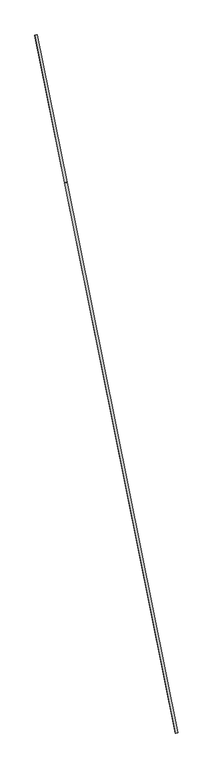
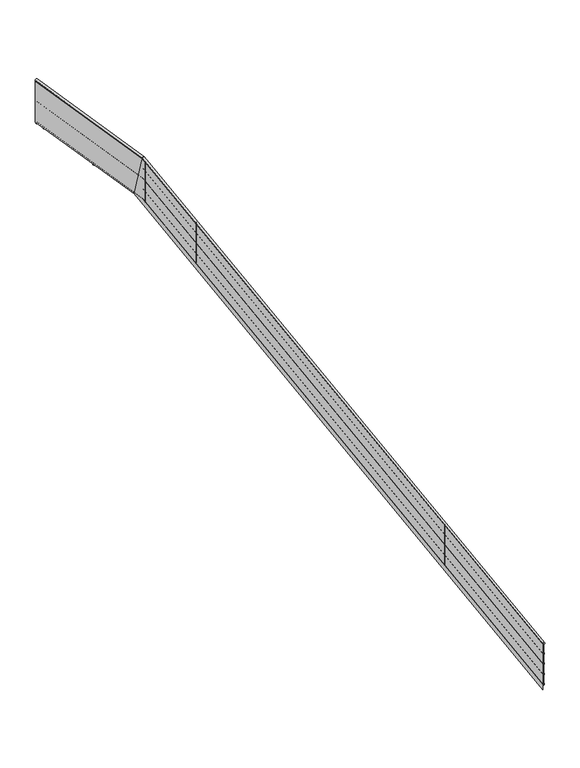
"""IFC4 building model written with IfcOpenShell, lengths in millimetres: railing geometry."""

from ifc_helpers import new_model, si_unit, frame, origin, place, context, project, spatial, circle_curve, ellipse_curve, faceted_brep, source, transform, mapped, element, save
from ifc_brep_helpers import plane_surface, cylinder_surface, advanced_brep


def railing_ff5d7b93(model_context):
    return source(origin(), model_context, "Body", "SolidModel", [
        advanced_brep(
        [(-71584.9520856, 32345.1313135, 3534.9225514), (-71624.1609189, 32337.2150397, 3534.9225514), (-73497.1858092, 41816.3112951, 7930.260985), (-73536.3946425, 41808.3950214, 7930.260985), (-74008.1655806, 44347.1637337, 8086.8597988), (-74047.3744139, 44339.2474599, 8086.8597988)],
        [
            (0, 1, ellipse_curve(frame((-71604.5565023, 32341.1731766, 3534.9225514), z_axis=(0.19790684338258893, -0.9802208329465047, 0.0), x_axis=(0.0, 0.0, -1.0)), 21.9720769, 20.0)),
            (1, 0, ellipse_curve(frame((-71604.5565023, 32341.1731766, 3534.9225514), z_axis=(0.19790684338258893, -0.9802208329465047, 0.0), x_axis=(0.0, 0.0, -1.0)), 21.9720769, 20.0)),
            (0, 2),
            (2, 3, ellipse_curve(frame((-73516.7902258, 41812.3531582, 7930.260985), z_axis=(0.19205676883367798, -0.951245761397059, -0.24134145721217634), x_axis=(-0.04776312597423098, 0.23656792421303996, -0.9704402614435899)), 20.340268, 20.0)),
            (3, 1),
            (3, 2, ellipse_curve(frame((-73516.7902258, 41812.3531582, 7930.260985), z_axis=(0.19205676883367798, -0.951245761397059, -0.24134145721217634), x_axis=(-0.04776312597423098, 0.23656792421303996, -0.9704402614435899)), 20.340268, 20.0)),
            (4, 5, ellipse_curve(frame((-74027.7699973, 44343.2055968, 8086.8597988), z_axis=(-0.19790684338259443, 0.9802208329465036, 0.0), x_axis=(0.0, 0.0, -1.0)), 20.036753, 20.0)),
            (5, 4, ellipse_curve(frame((-74027.7699973, 44343.2055968, 8086.8597988), z_axis=(-0.19790684338259443, 0.9802208329465036, 0.0), x_axis=(0.0, 0.0, -1.0)), 20.036753, 20.0)),
            (2, 4),
            (5, 3),
        ],
        [
            plane_surface(frame((-71604.5565023, 32341.1731766, 3556.8946283), z_axis=(0.19790684338258893, -0.9802208329465047, 0.0), x_axis=(0.9802208329465047, 0.19790684338258893, 0.0))),
            cylinder_surface(frame((-71606.1954377, 32349.2907265, 3538.6897039), z_axis=(0.18014395645113532, -0.8922423096883452, -0.414067404846287), x_axis=(-0.9802208329465047, -0.19790684338258893, 0.0)), 20.0),
            plane_surface(frame((-74027.7699973, 44343.2055968, 8106.8965517), z_axis=(-0.19790684338259443, 0.9802208329465036, 0.0), x_axis=(0.9802208329465036, 0.19790684338259443, 0.0))),
            cylinder_surface(frame((-73516.0583398, 41808.7281705, 7930.0366855), z_axis=(0.19754382739217458, -0.9784228363213221, -0.06054080957660407), x_axis=(-0.9802208329465038, -0.19790684338259434, 0.0)), 20.0),
        ],
        [
            (0, [[1, 2]]),
            (1, [[-1, 3, 4, 5]]),
            (1, [[-2, -5, 6, -3]]),
            (2, [[7, 8]]),
            (3, [[-4, 9, -8, 10]]),
            (3, [[-6, -10, -7, -9]]),
        ],
    ),
        advanced_brep(
        [(-71589.8531898, 32344.1417793, 3340.4155707), (-71619.2598148, 32338.204574, 3340.4155707), (-73501.8440346, 41814.1187971, 7735.1957387), (-73531.2506596, 41808.1815918, 7735.1957387), (-74013.0666848, 44346.1741995, 7891.868987), (-74042.4733098, 44340.2369942, 7891.868987)],
        [
            (0, 1, ellipse_curve(frame((-71604.5565023, 32341.1731766, 3340.4155707), z_axis=(0.19790684338258893, -0.9802208329465047, 0.0), x_axis=(0.0, 0.0, -1.0)), 16.4790577, 15.0)),
            (1, 0, ellipse_curve(frame((-71604.5565023, 32341.1731766, 3340.4155707), z_axis=(0.19790684338258893, -0.9802208329465047, 0.0), x_axis=(0.0, 0.0, -1.0)), 16.4790577, 15.0)),
            (0, 2),
            (2, 3, ellipse_curve(frame((-73516.5473471, 41811.1501945, 7735.1957387), z_axis=(0.19205676883367798, -0.951245761397059, -0.24134145721217634), x_axis=(-0.04776312597423098, 0.23656792421303996, -0.9704402614435899)), 15.255201, 15.0)),
            (3, 1),
            (3, 2, ellipse_curve(frame((-73516.5473471, 41811.1501945, 7735.1957387), z_axis=(0.19205676883367798, -0.951245761397059, -0.24134145721217634), x_axis=(-0.04776312597423098, 0.23656792421303996, -0.9704402614435899)), 15.255201, 15.0)),
            (4, 5, ellipse_curve(frame((-74027.7699973, 44343.2055968, 7891.868987), z_axis=(-0.19790684338259443, 0.9802208329465036, 0.0), x_axis=(0.0, 0.0, -1.0)), 15.0275647, 15.0)),
            (5, 4, ellipse_curve(frame((-74027.7699973, 44343.2055968, 7891.868987), z_axis=(-0.19790684338259443, 0.9802208329465036, 0.0), x_axis=(0.0, 0.0, -1.0)), 15.0275647, 15.0)),
            (2, 4),
            (5, 3),
        ],
        [
            plane_surface(frame((-71604.5565023, 32341.1731766, 3356.8946283), z_axis=(0.19790684338258893, -0.9802208329465047, 0.0), x_axis=(0.9802208329465047, 0.19790684338258893, 0.0))),
            cylinder_surface(frame((-71605.7857039, 32347.2613391, 3343.240935), z_axis=(0.18014395645113532, -0.8922423096883452, -0.414067404846287), x_axis=(-0.9802208329465047, -0.19790684338258893, 0.0)), 15.0),
            plane_surface(frame((-74027.7699973, 44343.2055968, 7906.8965517), z_axis=(-0.19790684338259443, 0.9802208329465036, 0.0), x_axis=(0.9802208329465036, 0.19790684338259443, 0.0))),
            cylinder_surface(frame((-73515.9984326, 41808.4314537, 7735.0275142), z_axis=(0.19754382739217458, -0.9784228363213221, -0.06054080957660407), x_axis=(-0.9802208329465038, -0.19790684338259434, 0.0)), 15.0),
        ],
        [
            (0, [[1, 2]]),
            (1, [[-1, 3, 4, 5]]),
            (1, [[-2, -5, 6, -3]]),
            (2, [[7, 8]]),
            (3, [[-4, 9, -8, 10]]),
            (3, [[-6, -10, -7, -9]]),
        ],
    ),
        advanced_brep(
        [(-71589.8531898, 32344.1417793, 3140.4155707), (-71619.2598148, 32338.204574, 3140.4155707), (-73501.8440346, 41814.1187971, 7535.1957387), (-73531.2506596, 41808.1815918, 7535.1957387), (-74013.0666848, 44346.1741995, 7691.868987), (-74042.4733098, 44340.2369942, 7691.868987)],
        [
            (0, 1, ellipse_curve(frame((-71604.5565023, 32341.1731766, 3140.4155707), z_axis=(0.19790684338258893, -0.9802208329465047, 0.0), x_axis=(0.0, 0.0, -1.0)), 16.4790577, 15.0)),
            (1, 0, ellipse_curve(frame((-71604.5565023, 32341.1731766, 3140.4155707), z_axis=(0.19790684338258893, -0.9802208329465047, 0.0), x_axis=(0.0, 0.0, -1.0)), 16.4790577, 15.0)),
            (0, 2),
            (2, 3, ellipse_curve(frame((-73516.5473471, 41811.1501945, 7535.1957387), z_axis=(0.19205676883367798, -0.951245761397059, -0.24134145721217634), x_axis=(-0.04776312597423098, 0.23656792421303996, -0.9704402614435899)), 15.255201, 15.0)),
            (3, 1),
            (3, 2, ellipse_curve(frame((-73516.5473471, 41811.1501945, 7535.1957387), z_axis=(0.19205676883367798, -0.951245761397059, -0.24134145721217634), x_axis=(-0.04776312597423098, 0.23656792421303996, -0.9704402614435899)), 15.255201, 15.0)),
            (4, 5, ellipse_curve(frame((-74027.7699973, 44343.2055968, 7691.868987), z_axis=(-0.19790684338259443, 0.9802208329465036, 0.0), x_axis=(0.0, 0.0, -1.0)), 15.0275647, 15.0)),
            (5, 4, ellipse_curve(frame((-74027.7699973, 44343.2055968, 7691.868987), z_axis=(-0.19790684338259443, 0.9802208329465036, 0.0), x_axis=(0.0, 0.0, -1.0)), 15.0275647, 15.0)),
            (2, 4),
            (5, 3),
        ],
        [
            plane_surface(frame((-71604.5565023, 32341.1731766, 3156.8946283), z_axis=(0.19790684338258893, -0.9802208329465047, 0.0), x_axis=(0.9802208329465047, 0.19790684338258893, 0.0))),
            cylinder_surface(frame((-71605.7857039, 32347.2613391, 3143.240935), z_axis=(0.18014395645113532, -0.8922423096883452, -0.414067404846287), x_axis=(-0.9802208329465047, -0.19790684338258893, 0.0)), 15.0),
            plane_surface(frame((-74027.7699973, 44343.2055968, 7706.8965517), z_axis=(-0.19790684338259443, 0.9802208329465036, 0.0), x_axis=(0.9802208329465036, 0.19790684338259443, 0.0))),
            cylinder_surface(frame((-73515.9984326, 41808.4314537, 7535.0275142), z_axis=(0.19754382739217458, -0.9784228363213221, -0.06054080957660407), x_axis=(-0.9802208329465038, -0.19790684338259434, 0.0)), 15.0),
        ],
        [
            (0, [[1, 2]]),
            (1, [[-1, 3, 4, 5]]),
            (1, [[-2, -5, 6, -3]]),
            (2, [[7, 8]]),
            (3, [[-4, 9, -8, 10]]),
            (3, [[-6, -10, -7, -9]]),
        ],
    ),
        advanced_brep(
        [(-71589.8531898, 32344.1417793, 2940.4155707), (-71619.2598148, 32338.204574, 2940.4155707), (-73501.8440346, 41814.1187971, 7335.1957387), (-73531.2506596, 41808.1815918, 7335.1957387), (-74013.0666848, 44346.1741995, 7491.868987), (-74042.4733098, 44340.2369942, 7491.868987)],
        [
            (0, 1, ellipse_curve(frame((-71604.5565023, 32341.1731766, 2940.4155707), z_axis=(0.19790684338258893, -0.9802208329465047, 0.0), x_axis=(0.0, 0.0, -1.0)), 16.4790577, 15.0)),
            (1, 0, ellipse_curve(frame((-71604.5565023, 32341.1731766, 2940.4155707), z_axis=(0.19790684338258893, -0.9802208329465047, 0.0), x_axis=(0.0, 0.0, -1.0)), 16.4790577, 15.0)),
            (0, 2),
            (2, 3, ellipse_curve(frame((-73516.5473471, 41811.1501945, 7335.1957387), z_axis=(0.19205676883367798, -0.951245761397059, -0.24134145721217634), x_axis=(-0.04776312597423098, 0.23656792421303996, -0.9704402614435899)), 15.255201, 15.0)),
            (3, 1),
            (3, 2, ellipse_curve(frame((-73516.5473471, 41811.1501945, 7335.1957387), z_axis=(0.19205676883367798, -0.951245761397059, -0.24134145721217634), x_axis=(-0.04776312597423098, 0.23656792421303996, -0.9704402614435899)), 15.255201, 15.0)),
            (4, 5, ellipse_curve(frame((-74027.7699973, 44343.2055968, 7491.868987), z_axis=(-0.19790684338259443, 0.9802208329465036, 0.0), x_axis=(0.0, 0.0, -1.0)), 15.0275647, 15.0)),
            (5, 4, ellipse_curve(frame((-74027.7699973, 44343.2055968, 7491.868987), z_axis=(-0.19790684338259443, 0.9802208329465036, 0.0), x_axis=(0.0, 0.0, -1.0)), 15.0275647, 15.0)),
            (2, 4),
            (5, 3),
        ],
        [
            plane_surface(frame((-71604.5565023, 32341.1731766, 2956.8946283), z_axis=(0.19790684338258893, -0.9802208329465047, 0.0), x_axis=(0.9802208329465047, 0.19790684338258893, 0.0))),
            cylinder_surface(frame((-71605.7857039, 32347.2613391, 2943.240935), z_axis=(0.18014395645113532, -0.8922423096883452, -0.414067404846287), x_axis=(-0.9802208329465047, -0.19790684338258893, 0.0)), 15.0),
            plane_surface(frame((-74027.7699973, 44343.2055968, 7506.8965517), z_axis=(-0.19790684338259443, 0.9802208329465036, 0.0), x_axis=(0.9802208329465036, 0.19790684338259443, 0.0))),
            cylinder_surface(frame((-73515.9984326, 41808.4314537, 7335.0275142), z_axis=(0.19754382739217458, -0.9784228363213221, -0.06054080957660407), x_axis=(-0.9802208329465038, -0.19790684338259434, 0.0)), 15.0),
        ],
        [
            (0, [[1, 2]]),
            (1, [[-1, 3, 4, 5]]),
            (1, [[-2, -5, 6, -3]]),
            (2, [[7, 8]]),
            (3, [[-4, 9, -8, 10]]),
            (3, [[-6, -10, -7, -9]]),
        ],
    ),
        advanced_brep(
        [(-71589.8531898, 32344.1417793, 2740.4155707), (-71619.2598148, 32338.204574, 2740.4155707), (-73501.8440346, 41814.1187971, 7135.1957387), (-73531.2506596, 41808.1815918, 7135.1957387), (-74013.0666848, 44346.1741995, 7291.868987), (-74042.4733098, 44340.2369942, 7291.868987)],
        [
            (0, 1, ellipse_curve(frame((-71604.5565023, 32341.1731766, 2740.4155707), z_axis=(0.19790684338258893, -0.9802208329465047, 0.0), x_axis=(0.0, 0.0, -1.0)), 16.4790577, 15.0)),
            (1, 0, ellipse_curve(frame((-71604.5565023, 32341.1731766, 2740.4155707), z_axis=(0.19790684338258893, -0.9802208329465047, 0.0), x_axis=(0.0, 0.0, -1.0)), 16.4790577, 15.0)),
            (0, 2),
            (2, 3, ellipse_curve(frame((-73516.5473471, 41811.1501945, 7135.1957387), z_axis=(0.19205676883367798, -0.951245761397059, -0.24134145721217634), x_axis=(-0.04776312597423098, 0.23656792421303996, -0.9704402614435899)), 15.255201, 15.0)),
            (3, 1),
            (3, 2, ellipse_curve(frame((-73516.5473471, 41811.1501945, 7135.1957387), z_axis=(0.19205676883367798, -0.951245761397059, -0.24134145721217634), x_axis=(-0.04776312597423098, 0.23656792421303996, -0.9704402614435899)), 15.255201, 15.0)),
            (4, 5, ellipse_curve(frame((-74027.7699973, 44343.2055968, 7291.868987), z_axis=(-0.19790684338259443, 0.9802208329465036, 0.0), x_axis=(0.0, 0.0, -1.0)), 15.0275647, 15.0)),
            (5, 4, ellipse_curve(frame((-74027.7699973, 44343.2055968, 7291.868987), z_axis=(-0.19790684338259443, 0.9802208329465036, 0.0), x_axis=(0.0, 0.0, -1.0)), 15.0275647, 15.0)),
            (2, 4),
            (5, 3),
        ],
        [
            plane_surface(frame((-71604.5565023, 32341.1731766, 2756.8946283), z_axis=(0.19790684338258893, -0.9802208329465047, 0.0), x_axis=(0.9802208329465047, 0.19790684338258893, 0.0))),
            cylinder_surface(frame((-71605.7857039, 32347.2613391, 2743.240935), z_axis=(0.18014395645113532, -0.8922423096883452, -0.414067404846287), x_axis=(-0.9802208329465047, -0.19790684338258893, 0.0)), 15.0),
            plane_surface(frame((-74027.7699973, 44343.2055968, 7306.8965517), z_axis=(-0.19790684338259443, 0.9802208329465036, 0.0), x_axis=(0.9802208329465036, 0.19790684338259443, 0.0))),
            cylinder_surface(frame((-73515.9984326, 41808.4314537, 7135.0275142), z_axis=(0.19754382739217458, -0.9784228363213221, -0.06054080957660407), x_axis=(-0.9802208329465038, -0.19790684338259434, 0.0)), 15.0),
        ],
        [
            (0, [[1, 2]]),
            (1, [[-1, 3, 4, 5]]),
            (1, [[-2, -5, 6, -3]]),
            (2, [[7, 8]]),
            (3, [[-4, 9, -8, 10]]),
            (3, [[-6, -10, -7, -9]]),
        ],
    ),
        faceted_brep([(-71627.1015814, 32336.6213192, 3526.8946283), (-71627.1015814, 32336.6213192, 2648.0115516), (-71621.2202564, 32337.8087603, 2648.0115516), (-71621.2202564, 32337.8087603, 3526.8946283), (-73538.3637902, 41802.9894458, 7920.0), (-73577.2243816, 41995.4636452, 7130.4393992), (-73571.3430566, 41996.6510863, 7130.4393992), (-73532.4824652, 41804.1768869, 7920.0), (-74050.3150764, 44338.6537394, 8076.8965517), (-74044.4337514, 44339.8411805, 8076.8965517), (-74044.4337514, 44339.8411805, 7275.4264334), (-74050.3150764, 44338.6537394, 7275.4264334)], [[[0, 1, 2, 3]], [[1, 0, 4, 5]], [[2, 1, 5, 6]], [[3, 2, 6, 7]], [[0, 3, 7, 4]], [[8, 9, 10, 11]], [[5, 4, 8, 11]], [[6, 5, 11, 10]], [[7, 6, 10, 9]], [[4, 7, 9, 8]]]),
        advanced_brep(
        [(-74003.0478956, 44157.5974668, 8055.4914435), (-73978.5423747, 44162.5451379, 8055.4914435), (-73978.5423747, 44162.5451379, 7239.1278097), (-74003.0478956, 44157.5974668, 7239.1278097)],
        [
            (0, 1, ellipse_curve(frame((-73990.7951351, 44160.0713023, 8055.4914435), z_axis=(-0.011981440519132127, 0.059343362790433084, -0.998165722901668), x_axis=(-0.19754382739217394, 0.9784228363213221, 0.0605408095766013)), 12.5229706, 12.5)),
            (1, 2),
            (2, 3, ellipse_curve(frame((-73990.7951351, 44160.0713023, 7239.1278097), z_axis=(0.01198144051913172, -0.059343362790431065, 0.9981657229016683), x_axis=(-0.19754382739217397, 0.9784228363213223, 0.06054080957659602)), 12.5229706, 12.5)),
            (3, 0),
            (3, 2, ellipse_curve(frame((-73990.7951351, 44160.0713023, 7239.1278097), z_axis=(0.01198144051913172, -0.059343362790431065, 0.9981657229016683), x_axis=(-0.19754382739217397, 0.9784228363213223, 0.06054080957659602)), 12.5229706, 12.5)),
            (1, 0, ellipse_curve(frame((-73990.7951351, 44160.0713023, 8055.4914435), z_axis=(-0.011981440519132127, 0.059343362790433084, -0.998165722901668), x_axis=(-0.19754382739217394, 0.9784228363213221, 0.0605408095766013)), 12.5229706, 12.5)),
        ],
        [
            cylinder_surface(frame((-73990.7951351, 44160.0713023, 7139.1278097), z_axis=(0.0, 0.0, 1.0), x_axis=(0.9802208329465036, 0.19790684338259376, 0.0)), 12.5),
            plane_surface(frame((-73971.2372854, 44189.5244942, 8057.0077451), z_axis=(0.011981440519132127, -0.059343362790433084, 0.998165722901668), x_axis=(-0.9802208329465036, -0.19790684338259376, 0.0))),
            plane_surface(frame((-73961.3419432, 44140.5134526, 7237.6115081), z_axis=(-0.01198144051913172, 0.059343362790431065, -0.9981657229016683), x_axis=(-0.9802208329465036, -0.19790684338259376, 0.0))),
        ],
        [
            (0, [[1, 2, 3, 4]]),
            (0, [[5, -2, 6, -4]]),
            (1, [[-6, -1]]),
            (2, [[-5, -3]]),
        ],
    ),
        advanced_brep(
        [(-73765.5596835, 42981.3324672, 7982.7089688), (-73741.0541627, 42986.2801383, 7982.7089688), (-73741.0541627, 42986.2801383, 7166.345335), (-73765.5596835, 42981.3324672, 7166.345335)],
        [
            (0, 1, ellipse_curve(frame((-73753.3069231, 42983.8063028, 7982.7089688), z_axis=(-0.011981440519132127, 0.059343362790433084, -0.998165722901668), x_axis=(-0.19754382739217394, 0.9784228363213221, 0.0605408095766013)), 12.5229706, 12.5)),
            (1, 2),
            (2, 3, ellipse_curve(frame((-73753.3069231, 42983.8063028, 7166.345335), z_axis=(0.01198144051913172, -0.059343362790431065, 0.9981657229016683), x_axis=(-0.19754382739217397, 0.9784228363213223, 0.06054080957659602)), 12.5229706, 12.5)),
            (3, 0),
            (3, 2, ellipse_curve(frame((-73753.3069231, 42983.8063028, 7166.345335), z_axis=(0.01198144051913172, -0.059343362790431065, 0.9981657229016683), x_axis=(-0.19754382739217397, 0.9784228363213223, 0.06054080957659602)), 12.5229706, 12.5)),
            (1, 0, ellipse_curve(frame((-73753.3069231, 42983.8063028, 7982.7089688), z_axis=(-0.011981440519132127, 0.059343362790433084, -0.998165722901668), x_axis=(-0.19754382739217394, 0.9784228363213221, 0.0605408095766013)), 12.5229706, 12.5)),
        ],
        [
            cylinder_surface(frame((-73753.3069231, 42983.8063028, 7066.345335), z_axis=(0.0, 0.0, 1.0), x_axis=(0.9802208329465036, 0.19790684338259376, 0.0)), 12.5),
            plane_surface(frame((-73733.7490734, 43013.2594947, 7984.2252704), z_axis=(0.011981440519132127, -0.059343362790433084, 0.998165722901668), x_axis=(-0.9802208329465036, -0.19790684338259376, 0.0))),
            plane_surface(frame((-73723.8537312, 42964.248453, 7164.8290334), z_axis=(-0.01198144051913172, 0.059343362790431065, -0.9981657229016683), x_axis=(-0.9802208329465036, -0.19790684338259376, 0.0))),
        ],
        [
            (0, [[1, 2, 3, 4]]),
            (0, [[5, -2, 6, -4]]),
            (1, [[-6, -1]]),
            (2, [[-5, -3]]),
        ],
    ),
        advanced_brep(
        [(-73516.7149592, 41748.8193374, 7879.9531612), (-73492.2094383, 41753.7670084, 7879.9531612), (-73492.2094383, 41753.7670084, 7091.6510552), (-73516.7149592, 41748.8193374, 7091.6510552)],
        [
            (0, 1, ellipse_curve(frame((-73504.4621988, 41751.2931729, 7879.9531612), z_axis=(-0.08194594070745495, 0.4058733739770875, -0.910248134904997), x_axis=(-0.18014433507393687, 0.8922441849845786, 0.41406319916405787)), 13.7325192, 12.5)),
            (1, 2),
            (2, 3, ellipse_curve(frame((-73504.4621988, 41751.2931729, 7091.6510552), z_axis=(0.08194594070745495, -0.4058733739770875, 0.910248134904997), x_axis=(-0.18014433507393687, 0.8922441849845786, 0.41406319916405787)), 13.7325192, 12.5)),
            (3, 0),
            (3, 2, ellipse_curve(frame((-73504.4621988, 41751.2931729, 7091.6510552), z_axis=(0.08194594070745495, -0.4058733739770875, 0.910248134904997), x_axis=(-0.18014433507393687, 0.8922441849845786, 0.41406319916405787)), 13.7325192, 12.5)),
            (1, 0, ellipse_curve(frame((-73504.4621988, 41751.2931729, 7879.9531612), z_axis=(-0.08194594070745495, 0.4058733739770875, -0.910248134904997), x_axis=(-0.18014433507393687, 0.8922441849845786, 0.41406319916405787)), 13.7325192, 12.5)),
        ],
        [
            cylinder_surface(frame((-73504.4621988, 41751.2931729, 6991.6510552), z_axis=(0.0, 0.0, 1.0), x_axis=(0.9802208329465046, 0.19790684338258885, 0.0)), 12.5),
            plane_surface(frame((-73484.904349, 41780.7463648, 7891.3254229), z_axis=(0.08194594070745495, -0.4058733739770875, 0.910248134904997), x_axis=(-0.9802208329465046, -0.19790684338258885, 0.0))),
            plane_surface(frame((-73475.0090068, 41731.7353232, 7080.2787935), z_axis=(-0.08194594070745495, 0.4058733739770875, -0.910248134904997), x_axis=(-0.9802208329465046, -0.19790684338258885, 0.0))),
        ],
        [
            (0, [[1, 2, 3, 4]]),
            (0, [[5, -2, 6, -4]]),
            (1, [[-6, -1]]),
            (2, [[-5, -3]]),
        ],
    ),
        advanced_brep(
        [(-73279.2267471, 40572.5543378, 7334.0779091), (-73254.7212263, 40577.5020089, 7334.0779091), (-73254.7212263, 40577.5020089, 6545.7758031), (-73279.2267471, 40572.5543378, 6545.7758031)],
        [
            (0, 1, ellipse_curve(frame((-73266.9739867, 40575.0281734, 7334.0779091), z_axis=(-0.08194594070745495, 0.4058733739770875, -0.910248134904997), x_axis=(-0.18014433507393687, 0.8922441849845786, 0.41406319916405787)), 13.7325192, 12.5)),
            (1, 2),
            (2, 3, ellipse_curve(frame((-73266.9739867, 40575.0281734, 6545.7758031), z_axis=(0.08194594070745495, -0.4058733739770875, 0.910248134904997), x_axis=(-0.18014433507393687, 0.8922441849845786, 0.41406319916405787)), 13.7325192, 12.5)),
            (3, 0),
            (3, 2, ellipse_curve(frame((-73266.9739867, 40575.0281734, 6545.7758031), z_axis=(0.08194594070745495, -0.4058733739770875, 0.910248134904997), x_axis=(-0.18014433507393687, 0.8922441849845786, 0.41406319916405787)), 13.7325192, 12.5)),
            (1, 0, ellipse_curve(frame((-73266.9739867, 40575.0281734, 7334.0779091), z_axis=(-0.08194594070745495, 0.4058733739770875, -0.910248134904997), x_axis=(-0.18014433507393687, 0.8922441849845786, 0.41406319916405787)), 13.7325192, 12.5)),
        ],
        [
            cylinder_surface(frame((-73266.9739867, 40575.0281734, 6445.7758031), z_axis=(0.0, 0.0, 1.0), x_axis=(0.9802208329465046, 0.19790684338258885, 0.0)), 12.5),
            plane_surface(frame((-73247.416137, 40604.4813653, 7345.4501708), z_axis=(0.08194594070745495, -0.4058733739770875, 0.910248134904997), x_axis=(-0.9802208329465046, -0.19790684338258885, 0.0))),
            plane_surface(frame((-73237.5207948, 40555.4703236, 6534.4035414), z_axis=(-0.08194594070745495, 0.4058733739770875, -0.910248134904997), x_axis=(-0.9802208329465046, -0.19790684338258885, 0.0))),
        ],
        [
            (0, [[1, 2, 3, 4]]),
            (0, [[5, -2, 6, -4]]),
            (1, [[-6, -1]]),
            (2, [[-5, -3]]),
        ],
    ),
        advanced_brep(
        [(-73041.7385351, 39396.2893383, 6788.2026569), (-73017.2330142, 39401.2370094, 6788.2026569), (-73017.2330142, 39401.2370094, 5999.9005509), (-73041.7385351, 39396.2893383, 5999.9005509)],
        [
            (0, 1, ellipse_curve(frame((-73029.4857746, 39398.7631738, 6788.2026569), z_axis=(-0.08194594070745495, 0.4058733739770875, -0.910248134904997), x_axis=(-0.18014433507393687, 0.8922441849845786, 0.41406319916405787)), 13.7325192, 12.5)),
            (1, 2),
            (2, 3, ellipse_curve(frame((-73029.4857746, 39398.7631738, 5999.9005509), z_axis=(0.08194594070745495, -0.4058733739770875, 0.910248134904997), x_axis=(-0.18014433507393687, 0.8922441849845786, 0.41406319916405787)), 13.7325192, 12.5)),
            (3, 0),
            (3, 2, ellipse_curve(frame((-73029.4857746, 39398.7631738, 5999.9005509), z_axis=(0.08194594070745495, -0.4058733739770875, 0.910248134904997), x_axis=(-0.18014433507393687, 0.8922441849845786, 0.41406319916405787)), 13.7325192, 12.5)),
            (1, 0, ellipse_curve(frame((-73029.4857746, 39398.7631738, 6788.2026569), z_axis=(-0.08194594070745495, 0.4058733739770875, -0.910248134904997), x_axis=(-0.18014433507393687, 0.8922441849845786, 0.41406319916405787)), 13.7325192, 12.5)),
        ],
        [
            cylinder_surface(frame((-73029.4857746, 39398.7631738, 5899.9005509), z_axis=(0.0, 0.0, 1.0), x_axis=(0.9802208329465046, 0.19790684338258885, 0.0)), 12.5),
            plane_surface(frame((-73009.9279249, 39428.2163657, 6799.5749186), z_axis=(0.08194594070745495, -0.4058733739770875, 0.910248134904997), x_axis=(-0.9802208329465046, -0.19790684338258885, 0.0))),
            plane_surface(frame((-73000.0325827, 39379.2053241, 5988.5282893), z_axis=(-0.08194594070745495, 0.4058733739770875, -0.910248134904997), x_axis=(-0.9802208329465046, -0.19790684338258885, 0.0))),
        ],
        [
            (0, [[1, 2, 3, 4]]),
            (0, [[5, -2, 6, -4]]),
            (1, [[-6, -1]]),
            (2, [[-5, -3]]),
        ],
    ),
        advanced_brep(
        [(-72804.250323, 38220.0243388, 6242.3274048), (-72779.7448022, 38224.9720098, 6242.3274048), (-72779.7448022, 38224.9720098, 5454.0252988), (-72804.250323, 38220.0243388, 5454.0252988)],
        [
            (0, 1, ellipse_curve(frame((-72791.9975626, 38222.4981743, 6242.3274048), z_axis=(-0.08194594070745495, 0.4058733739770875, -0.910248134904997), x_axis=(-0.18014433507393687, 0.8922441849845786, 0.41406319916405787)), 13.7325192, 12.5)),
            (1, 2),
            (2, 3, ellipse_curve(frame((-72791.9975626, 38222.4981743, 5454.0252988), z_axis=(0.08194594070745495, -0.4058733739770875, 0.910248134904997), x_axis=(-0.18014433507393687, 0.8922441849845786, 0.41406319916405787)), 13.7325192, 12.5)),
            (3, 0),
            (3, 2, ellipse_curve(frame((-72791.9975626, 38222.4981743, 5454.0252988), z_axis=(0.08194594070745495, -0.4058733739770875, 0.910248134904997), x_axis=(-0.18014433507393687, 0.8922441849845786, 0.41406319916405787)), 13.7325192, 12.5)),
            (1, 0, ellipse_curve(frame((-72791.9975626, 38222.4981743, 6242.3274048), z_axis=(-0.08194594070745495, 0.4058733739770875, -0.910248134904997), x_axis=(-0.18014433507393687, 0.8922441849845786, 0.41406319916405787)), 13.7325192, 12.5)),
        ],
        [
            cylinder_surface(frame((-72791.9975626, 38222.4981743, 5354.0252988), z_axis=(0.0, 0.0, 1.0), x_axis=(0.9802208329465046, 0.19790684338258885, 0.0)), 12.5),
            plane_surface(frame((-72772.4397128, 38251.9513662, 6253.6996665), z_axis=(0.08194594070745495, -0.4058733739770875, 0.910248134904997), x_axis=(-0.9802208329465046, -0.19790684338258885, 0.0))),
            plane_surface(frame((-72762.5443707, 38202.9403246, 5442.6530371), z_axis=(-0.08194594070745495, 0.4058733739770875, -0.910248134904997), x_axis=(-0.9802208329465046, -0.19790684338258885, 0.0))),
        ],
        [
            (0, [[1, 2, 3, 4]]),
            (0, [[5, -2, 6, -4]]),
            (1, [[-6, -1]]),
            (2, [[-5, -3]]),
        ],
    ),
        advanced_brep(
        [(-72566.7621109, 37043.7593392, 5696.4521527), (-72542.2565901, 37048.7070103, 5696.4521527), (-72542.2565901, 37048.7070103, 4908.1500467), (-72566.7621109, 37043.7593392, 4908.1500467)],
        [
            (0, 1, ellipse_curve(frame((-72554.5093505, 37046.2331748, 5696.4521527), z_axis=(-0.08194594070745495, 0.4058733739770875, -0.910248134904997), x_axis=(-0.18014433507393687, 0.8922441849845786, 0.41406319916405787)), 13.7325192, 12.5)),
            (1, 2),
            (2, 3, ellipse_curve(frame((-72554.5093505, 37046.2331748, 4908.1500467), z_axis=(0.08194594070745495, -0.4058733739770875, 0.910248134904997), x_axis=(-0.18014433507393687, 0.8922441849845786, 0.41406319916405787)), 13.7325192, 12.5)),
            (3, 0),
            (3, 2, ellipse_curve(frame((-72554.5093505, 37046.2331748, 4908.1500467), z_axis=(0.08194594070745495, -0.4058733739770875, 0.910248134904997), x_axis=(-0.18014433507393687, 0.8922441849845786, 0.41406319916405787)), 13.7325192, 12.5)),
            (1, 0, ellipse_curve(frame((-72554.5093505, 37046.2331748, 5696.4521527), z_axis=(-0.08194594070745495, 0.4058733739770875, -0.910248134904997), x_axis=(-0.18014433507393687, 0.8922441849845786, 0.41406319916405787)), 13.7325192, 12.5)),
        ],
        [
            cylinder_surface(frame((-72554.5093505, 37046.2331748, 4808.1500467), z_axis=(0.0, 0.0, 1.0), x_axis=(0.9802208329465046, 0.19790684338258885, 0.0)), 12.5),
            plane_surface(frame((-72534.9515008, 37075.6863667, 5707.8244143), z_axis=(0.08194594070745495, -0.4058733739770875, 0.910248134904997), x_axis=(-0.9802208329465046, -0.19790684338258885, 0.0))),
            plane_surface(frame((-72525.0561586, 37026.675325, 4896.777785), z_axis=(-0.08194594070745495, 0.4058733739770875, -0.910248134904997), x_axis=(-0.9802208329465046, -0.19790684338258885, 0.0))),
        ],
        [
            (0, [[1, 2, 3, 4]]),
            (0, [[5, -2, 6, -4]]),
            (1, [[-6, -1]]),
            (2, [[-5, -3]]),
        ],
    ),
        advanced_brep(
        [(-72329.2738989, 35867.4943397, 5150.5769005), (-72304.768378, 35872.4420108, 5150.5769005), (-72304.768378, 35872.4420108, 4362.2747945), (-72329.2738989, 35867.4943397, 4362.2747945)],
        [
            (0, 1, ellipse_curve(frame((-72317.0211385, 35869.9681752, 5150.5769005), z_axis=(-0.08194594070745495, 0.4058733739770875, -0.910248134904997), x_axis=(-0.18014433507393687, 0.8922441849845786, 0.41406319916405787)), 13.7325192, 12.5)),
            (1, 2),
            (2, 3, ellipse_curve(frame((-72317.0211385, 35869.9681752, 4362.2747945), z_axis=(0.08194594070745495, -0.4058733739770875, 0.910248134904997), x_axis=(-0.18014433507393687, 0.8922441849845786, 0.41406319916405787)), 13.7325192, 12.5)),
            (3, 0),
            (3, 2, ellipse_curve(frame((-72317.0211385, 35869.9681752, 4362.2747945), z_axis=(0.08194594070745495, -0.4058733739770875, 0.910248134904997), x_axis=(-0.18014433507393687, 0.8922441849845786, 0.41406319916405787)), 13.7325192, 12.5)),
            (1, 0, ellipse_curve(frame((-72317.0211385, 35869.9681752, 5150.5769005), z_axis=(-0.08194594070745495, 0.4058733739770875, -0.910248134904997), x_axis=(-0.18014433507393687, 0.8922441849845786, 0.41406319916405787)), 13.7325192, 12.5)),
        ],
        [
            cylinder_surface(frame((-72317.0211385, 35869.9681752, 4262.2747945), z_axis=(0.0, 0.0, 1.0), x_axis=(0.9802208329465046, 0.19790684338258885, 0.0)), 12.5),
            plane_surface(frame((-72297.4632887, 35899.4213671, 5161.9491622), z_axis=(0.08194594070745495, -0.4058733739770875, 0.910248134904997), x_axis=(-0.9802208329465046, -0.19790684338258885, 0.0))),
            plane_surface(frame((-72287.5679466, 35850.4103255, 4350.9025328), z_axis=(-0.08194594070745495, 0.4058733739770875, -0.910248134904997), x_axis=(-0.9802208329465046, -0.19790684338258885, 0.0))),
        ],
        [
            (0, [[1, 2, 3, 4]]),
            (0, [[5, -2, 6, -4]]),
            (1, [[-6, -1]]),
            (2, [[-5, -3]]),
        ],
    ),
        advanced_brep(
        [(-72091.7856868, 34691.2293401, 4604.7016484), (-72067.280166, 34696.1770112, 4604.7016484), (-72067.280166, 34696.1770112, 3816.3995424), (-72091.7856868, 34691.2293401, 3816.3995424)],
        [
            (0, 1, ellipse_curve(frame((-72079.5329264, 34693.7031757, 4604.7016484), z_axis=(-0.08194594070745495, 0.4058733739770875, -0.910248134904997), x_axis=(-0.18014433507393687, 0.8922441849845786, 0.41406319916405787)), 13.7325192, 12.5)),
            (1, 2),
            (2, 3, ellipse_curve(frame((-72079.5329264, 34693.7031757, 3816.3995424), z_axis=(0.08194594070745495, -0.4058733739770875, 0.910248134904997), x_axis=(-0.18014433507393687, 0.8922441849845786, 0.41406319916405787)), 13.7325192, 12.5)),
            (3, 0),
            (3, 2, ellipse_curve(frame((-72079.5329264, 34693.7031757, 3816.3995424), z_axis=(0.08194594070745495, -0.4058733739770875, 0.910248134904997), x_axis=(-0.18014433507393687, 0.8922441849845786, 0.41406319916405787)), 13.7325192, 12.5)),
            (1, 0, ellipse_curve(frame((-72079.5329264, 34693.7031757, 4604.7016484), z_axis=(-0.08194594070745495, 0.4058733739770875, -0.910248134904997), x_axis=(-0.18014433507393687, 0.8922441849845786, 0.41406319916405787)), 13.7325192, 12.5)),
        ],
        [
            cylinder_surface(frame((-72079.5329264, 34693.7031757, 3716.3995424), z_axis=(0.0, 0.0, 1.0), x_axis=(0.9802208329465046, 0.19790684338258885, 0.0)), 12.5),
            plane_surface(frame((-72059.9750767, 34723.1563676, 4616.0739101), z_axis=(0.08194594070745495, -0.4058733739770875, 0.910248134904997), x_axis=(-0.9802208329465046, -0.19790684338258885, 0.0))),
            plane_surface(frame((-72050.0797345, 34674.1453259, 3805.0272807), z_axis=(-0.08194594070745495, 0.4058733739770875, -0.910248134904997), x_axis=(-0.9802208329465046, -0.19790684338258885, 0.0))),
        ],
        [
            (0, [[1, 2, 3, 4]]),
            (0, [[5, -2, 6, -4]]),
            (1, [[-6, -1]]),
            (2, [[-5, -3]]),
        ],
    ),
        advanced_brep(
        [(-71854.2974748, 33514.9643406, 4058.8263963), (-71829.7919539, 33519.9120117, 4058.8263963), (-71829.7919539, 33519.9120117, 3270.5242902), (-71854.2974748, 33514.9643406, 3270.5242902)],
        [
            (0, 1, ellipse_curve(frame((-71842.0447143, 33517.4381761, 4058.8263963), z_axis=(-0.08194594070745495, 0.4058733739770875, -0.910248134904997), x_axis=(-0.18014433507393687, 0.8922441849845786, 0.41406319916405787)), 13.7325192, 12.5)),
            (1, 2),
            (2, 3, ellipse_curve(frame((-71842.0447143, 33517.4381761, 3270.5242902), z_axis=(0.08194594070745495, -0.4058733739770875, 0.910248134904997), x_axis=(-0.18014433507393687, 0.8922441849845786, 0.41406319916405787)), 13.7325192, 12.5)),
            (3, 0),
            (3, 2, ellipse_curve(frame((-71842.0447143, 33517.4381761, 3270.5242902), z_axis=(0.08194594070745495, -0.4058733739770875, 0.910248134904997), x_axis=(-0.18014433507393687, 0.8922441849845786, 0.41406319916405787)), 13.7325192, 12.5)),
            (1, 0, ellipse_curve(frame((-71842.0447143, 33517.4381761, 4058.8263963), z_axis=(-0.08194594070745495, 0.4058733739770875, -0.910248134904997), x_axis=(-0.18014433507393687, 0.8922441849845786, 0.41406319916405787)), 13.7325192, 12.5)),
        ],
        [
            cylinder_surface(frame((-71842.0447143, 33517.4381761, 3170.5242902), z_axis=(0.0, 0.0, 1.0), x_axis=(0.9802208329465046, 0.19790684338258885, 0.0)), 12.5),
            plane_surface(frame((-71822.4868646, 33546.8913681, 4070.1986579), z_axis=(0.08194594070745495, -0.4058733739770875, 0.910248134904997), x_axis=(-0.9802208329465046, -0.19790684338258885, 0.0))),
            plane_surface(frame((-71812.5915224, 33497.8803264, 3259.1520286), z_axis=(-0.08194594070745495, 0.4058733739770875, -0.910248134904997), x_axis=(-0.9802208329465046, -0.19790684338258885, 0.0))),
        ],
        [
            (0, [[1, 2, 3, 4]]),
            (0, [[5, -2, 6, -4]]),
            (1, [[-6, -1]]),
            (2, [[-5, -3]]),
        ],
    ),
        advanced_brep(
        [(-73528.0714714, 41805.0674677, 7906.0558462), (-73503.5659506, 41810.0151388, 7906.0558462), (-73503.5659506, 41810.0151388, 7093.5628602), (-73528.0714714, 41805.0674677, 7093.5628602)],
        [
            (0, 1, ellipse_curve(frame((-73515.818711, 41807.5413032, 7906.0558462), z_axis=(-0.08194677304074927, 0.40587749647442567, -0.9102462217685172), x_axis=(-0.18014395645113518, 0.8922423096883447, 0.41406740484628723)), 13.7325481, 12.5)),
            (1, 2),
            (2, 3, circle_curve(frame((-73515.818711, 41807.5413032, 7093.5628602), z_axis=(0.0, 0.0, 1.0), x_axis=(0.9802208329465046, 0.19790684338258885, 0.0)), 12.5)),
            (3, 0),
            (3, 2, circle_curve(frame((-73515.818711, 41807.5413032, 7093.5628602), z_axis=(0.0, 0.0, 1.0), x_axis=(0.9802208329465046, 0.19790684338258885, 0.0)), 12.5)),
            (1, 0, ellipse_curve(frame((-73515.818711, 41807.5413032, 7906.0558462), z_axis=(-0.08194677304074927, 0.40587749647442567, -0.9102462217685172), x_axis=(-0.18014395645113518, 0.8922423096883447, 0.41406740484628723)), 13.7325481, 12.5)),
        ],
        [
            cylinder_surface(frame((-73515.818711, 41807.5413032, 6993.5628602), z_axis=(0.0, 0.0, 1.0), x_axis=(0.9802208329465046, 0.19790684338258885, 0.0)), 12.5),
            plane_surface(frame((-73496.2608613, 41836.9944951, 7917.4282472), z_axis=(0.08194677304074927, -0.40587749647442567, 0.9102462217685172), x_axis=(-0.9802208329465046, -0.19790684338258885, 0.0))),
            plane_surface(frame((-73486.3655191, 41787.9834535, 7093.5628602), z_axis=(0.0, 0.0, -1.0), x_axis=(-0.9802208329465046, -0.19790684338258885, 0.0))),
        ],
        [
            (0, [[1, 2, 3, 4]]),
            (0, [[5, -2, 6, -4]]),
            (1, [[-6, -1]]),
            (2, [[-5, -3]]),
        ],
    ),
        advanced_brep(
        [(-74037.5489221, 44328.4790008, 8066.064895), (-74013.0434013, 44333.4266719, 8066.064895), (-74013.0434013, 44333.4266719, 7249.7012612), (-74037.5489221, 44328.4790008, 7249.7012612)],
        [
            (0, 1, ellipse_curve(frame((-74025.2961617, 44330.9528364, 8066.064895), z_axis=(-0.011981440519132127, 0.059343362790433084, -0.998165722901668), x_axis=(-0.19754382739217394, 0.9784228363213221, 0.0605408095766013)), 12.5229706, 12.5)),
            (1, 2),
            (2, 3, ellipse_curve(frame((-74025.2961617, 44330.9528364, 7249.7012612), z_axis=(0.01198144051913172, -0.059343362790431065, 0.9981657229016683), x_axis=(-0.19754382739217397, 0.9784228363213223, 0.06054080957659602)), 12.5229706, 12.5)),
            (3, 0),
            (3, 2, ellipse_curve(frame((-74025.2961617, 44330.9528364, 7249.7012612), z_axis=(0.01198144051913172, -0.059343362790431065, 0.9981657229016683), x_axis=(-0.19754382739217397, 0.9784228363213223, 0.06054080957659602)), 12.5229706, 12.5)),
            (1, 0, ellipse_curve(frame((-74025.2961617, 44330.9528364, 8066.064895), z_axis=(-0.011981440519132127, 0.059343362790433084, -0.998165722901668), x_axis=(-0.19754382739217394, 0.9784228363213221, 0.0605408095766013)), 12.5229706, 12.5)),
        ],
        [
            cylinder_surface(frame((-74025.2961617, 44330.9528364, 7149.7012612), z_axis=(0.0, 0.0, 1.0), x_axis=(0.9802208329465036, 0.19790684338259376, 0.0)), 12.5),
            plane_surface(frame((-74005.738312, 44360.4060283, 8067.5811966), z_axis=(0.011981440519132127, -0.059343362790433084, 0.998165722901668), x_axis=(-0.9802208329465036, -0.19790684338259376, 0.0))),
            plane_surface(frame((-73995.8429698, 44311.3949867, 7248.1849596), z_axis=(-0.01198144051913172, 0.059343362790431065, -0.9981657229016683), x_axis=(-0.9802208329465036, -0.19790684338259376, 0.0))),
        ],
        [
            (0, [[1, 2, 3, 4]]),
            (0, [[5, -2, 6, -4]]),
            (1, [[-6, -1]]),
            (2, [[-5, -3]]),
        ],
    ),
        advanced_brep(
        [(-71619.2830982, 32350.9521015, 3518.6373447), (-71594.7775774, 32355.8997726, 3518.6373447), (-71594.7775774, 32355.8997726, 2730.3352387), (-71619.2830982, 32350.9521015, 2730.3352387)],
        [
            (0, 1, ellipse_curve(frame((-71607.0303378, 32353.425937, 3518.6373447), z_axis=(-0.08194594070745495, 0.4058733739770875, -0.910248134904997), x_axis=(-0.18014433507393687, 0.8922441849845786, 0.41406319916405787)), 13.7325192, 12.5)),
            (1, 2),
            (2, 3, ellipse_curve(frame((-71607.0303378, 32353.425937, 2730.3352387), z_axis=(0.08194594070745495, -0.4058733739770875, 0.910248134904997), x_axis=(-0.18014433507393687, 0.8922441849845786, 0.41406319916405787)), 13.7325192, 12.5)),
            (3, 0),
            (3, 2, ellipse_curve(frame((-71607.0303378, 32353.425937, 2730.3352387), z_axis=(0.08194594070745495, -0.4058733739770875, 0.910248134904997), x_axis=(-0.18014433507393687, 0.8922441849845786, 0.41406319916405787)), 13.7325192, 12.5)),
            (1, 0, ellipse_curve(frame((-71607.0303378, 32353.425937, 3518.6373447), z_axis=(-0.08194594070745495, 0.4058733739770875, -0.910248134904997), x_axis=(-0.18014433507393687, 0.8922441849845786, 0.41406319916405787)), 13.7325192, 12.5)),
        ],
        [
            cylinder_surface(frame((-71607.0303378, 32353.425937, 2630.3352387), z_axis=(0.0, 0.0, 1.0), x_axis=(0.9802208329465046, 0.19790684338258885, 0.0)), 12.5),
            plane_surface(frame((-71587.4724881, 32382.8791289, 3530.0096063), z_axis=(0.08194594070745495, -0.4058733739770875, 0.910248134904997), x_axis=(-0.9802208329465046, -0.19790684338258885, 0.0))),
            plane_surface(frame((-71577.5771459, 32333.8680873, 2718.962977), z_axis=(-0.08194594070745495, 0.4058733739770875, -0.910248134904997), x_axis=(-0.9802208329465046, -0.19790684338258885, 0.0))),
        ],
        [
            (0, [[1, 2, 3, 4]]),
            (0, [[5, -2, 6, -4]]),
            (1, [[-6, -1]]),
            (2, [[-5, -3]]),
        ],
    ),
    ])


if __name__ == "__main__":
    model = new_model("IFC4")
    model_context = context("Model", 3, world=origin())
    ifc_project = project(units=[si_unit("LENGTHUNIT", "METRE", prefix="MILLI")], contexts=[model_context])
    site = spatial("IfcSite", under=ifc_project)
    building = spatial("IfcBuilding", under=site)
    placement = place(None, origin())
    railing_shape = railing_ff5d7b93(model_context)
    element("IfcRailing", 1, at=placement, inside=building, context=model_context, shape_type="MappedRepresentation", body=[
        mapped(railing_shape, transform((0.0, 0.0, 0.0), x_axis=(1.0, 0.0, 0.0), y_axis=(0.0, 1.0, 0.0), z_axis=(0.0, 0.0, 1.0))),
    ])
    save(model, "model.ifc")
